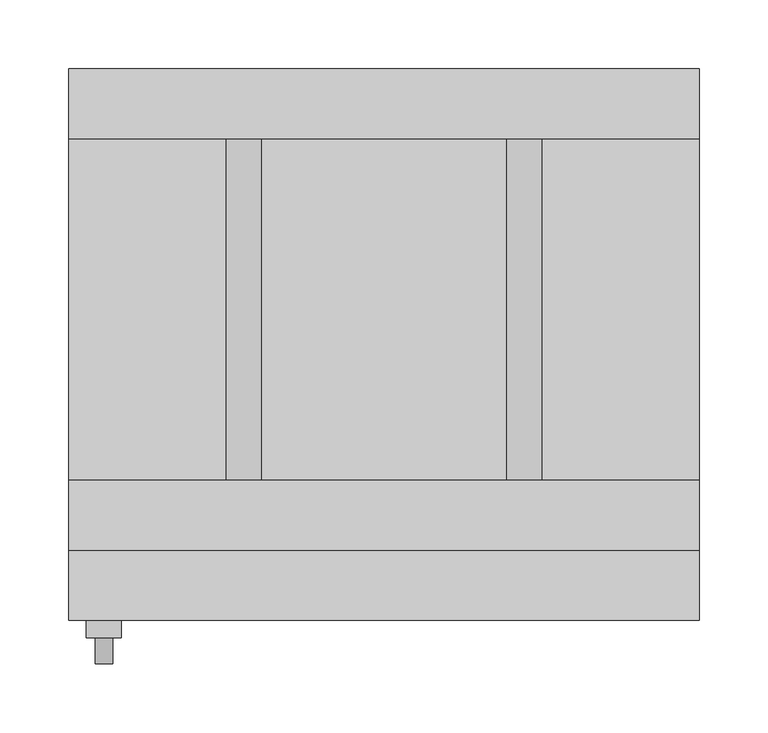
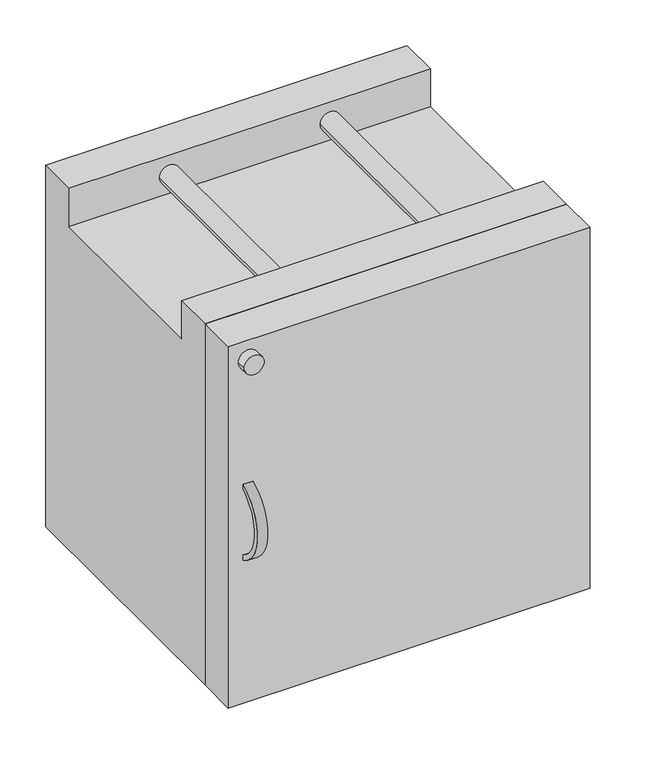
"""IFC4 building model written with IfcOpenShell, lengths in millimetres: furniture geometry."""

from ifc_helpers import new_model, si_unit, point, frame, frame_2d, origin, origin_with_axes, place, context, project, spatial, polyline, circle_curve, trimmed, segment, composite_curve, outline, extrude, source, transform, mapped, element, save


def furniture_44450734(model_context):
    return source(origin(), model_context, "Body", "SweptSolid", [
        extrude(outline(polyline([(431.8, 482.6), (431.8, 0.0), (82.6504521, 0.0), (82.6504521, 482.6), (133.4504521, 482.6), (133.4504521, 431.8), (381.0, 431.8), (381.0, 482.6), (431.8, 482.6)])), frame((0.0, 0.0, 0.0), z_axis=(1.0, 0.0, 0.0), x_axis=(0.0, 1.0, 0.0)), (0.0, 0.0, 1.0), 457.2),
        extrude(outline(composite_curve([segment(trimmed(circle_curve(frame_2d((56.4370529, 241.3)), 50.0870529), [point((34.616807, 286.3842515))], [point((34.616807, 196.2157485))], True, "CARTESIAN"), True, "CONTINUOUS"), segment(polyline([(34.616807, 196.2157485), (31.8504521, 190.5)]), True, "CONTINUOUS"), segment(trimmed(circle_curve(frame_2d((56.4370529, 241.3)), 56.4370529), [point((31.8504521, 190.5))], [point((31.8504521, 292.1))], False, "CARTESIAN"), True, "CONTINUOUS"), segment(polyline([(31.8504521, 292.1), (34.616807, 286.3842515)]), True, "CONTINUOUS")], self_intersect=False)), frame((19.05, 0.0, 0.0), z_axis=(1.0, 0.0, 0.0), x_axis=(0.0, 1.0, 0.0)), (0.0, 0.0, 1.0), 12.7),
        extrude(outline(composite_curve([segment(trimmed(circle_curve(frame_2d((457.2, 25.4)), 12.7), [point((457.2, 12.7))], [point((457.2, 38.1))], False, "CARTESIAN"), True, "CONTINUOUS"), segment(trimmed(circle_curve(frame_2d((457.2, 25.4)), 12.7), [point((457.2, 38.1))], [point((457.2, 12.7))], False, "CARTESIAN"), True, "CONTINUOUS")], self_intersect=False)), frame((0.0, 19.1504521, 0.0), z_axis=(0.0, 1.0, 0.0), x_axis=(0.0, 0.0, 1.0)), (0.0, 0.0, 1.0), 12.7),
        extrude(outline(composite_curve([segment(trimmed(circle_curve(frame_2d((457.2, 127.0)), 12.7), [point((457.2, 114.3))], [point((457.2, 139.7))], False, "CARTESIAN"), True, "CONTINUOUS"), segment(trimmed(circle_curve(frame_2d((457.2, 127.0)), 12.7), [point((457.2, 139.7))], [point((457.2, 114.3))], False, "CARTESIAN"), True, "CONTINUOUS")], self_intersect=False)), frame((0.0, 133.4504521, 0.0), z_axis=(0.0, 1.0, 0.0), x_axis=(0.0, 0.0, 1.0)), (0.0, 0.0, 1.0), 247.5495479),
        extrude(outline(composite_curve([segment(trimmed(circle_curve(frame_2d((457.2, 330.2)), 12.7), [point((457.2, 317.5))], [point((457.2, 342.9))], False, "CARTESIAN"), True, "CONTINUOUS"), segment(trimmed(circle_curve(frame_2d((457.2, 330.2)), 12.7), [point((457.2, 342.9))], [point((457.2, 317.5))], False, "CARTESIAN"), True, "CONTINUOUS")], self_intersect=False)), frame((0.0, 133.4504521, 0.0), z_axis=(0.0, 1.0, 0.0), x_axis=(0.0, 0.0, 1.0)), (0.0, 0.0, 1.0), 247.5495479),
        extrude(outline(polyline([(457.2, 82.6504521), (457.2, 31.8504521), (0.0, 31.8504521), (0.0, 82.6504521), (457.2, 82.6504521)])), origin_with_axes(), (0.0, 0.0, 1.0), 482.6),
    ])


if __name__ == "__main__":
    model = new_model("IFC4")
    model_context = context("Model", 3, world=origin())
    ifc_project = project(units=[si_unit("LENGTHUNIT", "METRE", prefix="MILLI")], contexts=[model_context])
    site = spatial("IfcSite", under=ifc_project)
    building = spatial("IfcBuilding", under=site)
    placement = place(None, origin())
    furniture_shape = furniture_44450734(model_context)
    element("IfcFurniture", 1, at=placement, inside=building, context=model_context, shape_type="MappedRepresentation", body=[
        mapped(furniture_shape, transform((0.0, 0.0, 0.0), x_axis=(1.0, 0.0, 0.0), y_axis=(0.0, 1.0, 0.0), z_axis=(0.0, 0.0, 1.0))),
    ])
    save(model, "model.ifc")
